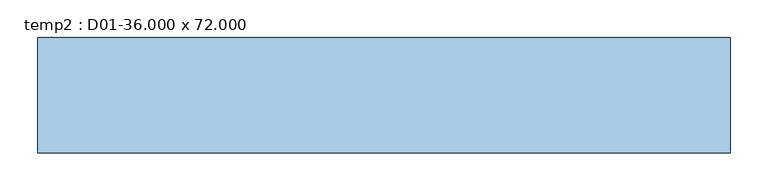
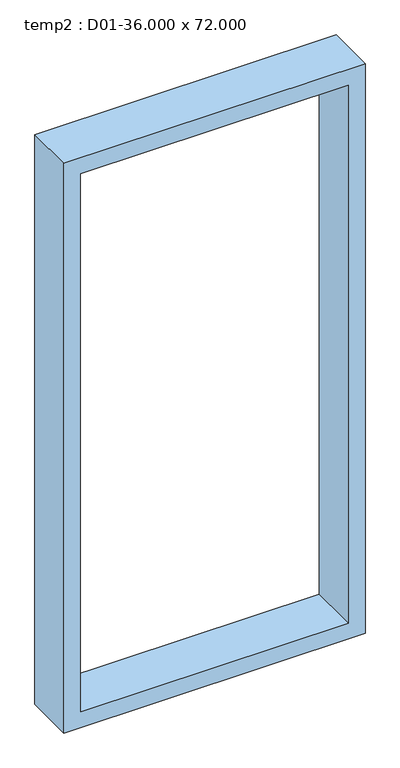
"""IFC4 building model written with IfcOpenShell, lengths in millimetres: window geometry, temp2 : D01-36.000 x 72.000."""

from ifc_helpers import new_model, si_unit, frame, origin, place, context, project, spatial, polyline, outline, extrude, source, transform, mapped, element, save


def temp2_d01_36_000_x_72_000_b22c8faf(model_context):
    return source(origin(), model_context, "Body", "SweptSolid", [
        extrude(outline(polyline([(2743.2, -457.2), (914.4, -457.2), (914.4, 457.2), (2743.2, 457.2), (2743.2, -457.2)]), holes=[polyline([(965.2, -406.4), (2692.4, -406.4), (2692.4, 406.4), (965.2, 406.4), (965.2, -406.4)])]), frame((0.0, -279.4, 0.0), z_axis=(0.0, 1.0, 0.0), x_axis=(0.0, 0.0, 1.0)), (0.0, 0.0, 1.0), 152.4),
    ])


if __name__ == "__main__":
    model = new_model("IFC4")
    model_context = context("Model", 3, world=origin())
    ifc_project = project(units=[si_unit("LENGTHUNIT", "METRE", prefix="MILLI")], contexts=[model_context])
    site = spatial("IfcSite", under=ifc_project)
    building = spatial("IfcBuilding", under=site)
    placement = place(None, origin())
    temp2_d01_36_000_x_72_000_shape = temp2_d01_36_000_x_72_000_b22c8faf(model_context)
    element("IfcWindow", 1, ObjectType="temp2 : D01-36.000 x 72.000", at=placement, inside=building, context=model_context, shape_type="MappedRepresentation", body=[
        mapped(temp2_d01_36_000_x_72_000_shape, transform((0.0, 0.0, 0.0), x_axis=(1.0, 0.0, 0.0), y_axis=(0.0, 1.0, 0.0), z_axis=(0.0, 0.0, 1.0))),
    ])
    save(model, "model.ifc")
